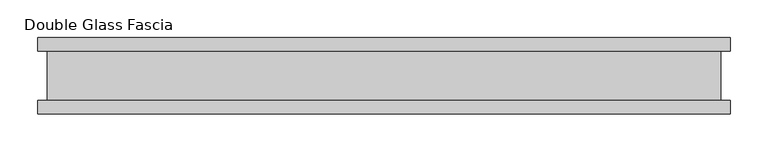
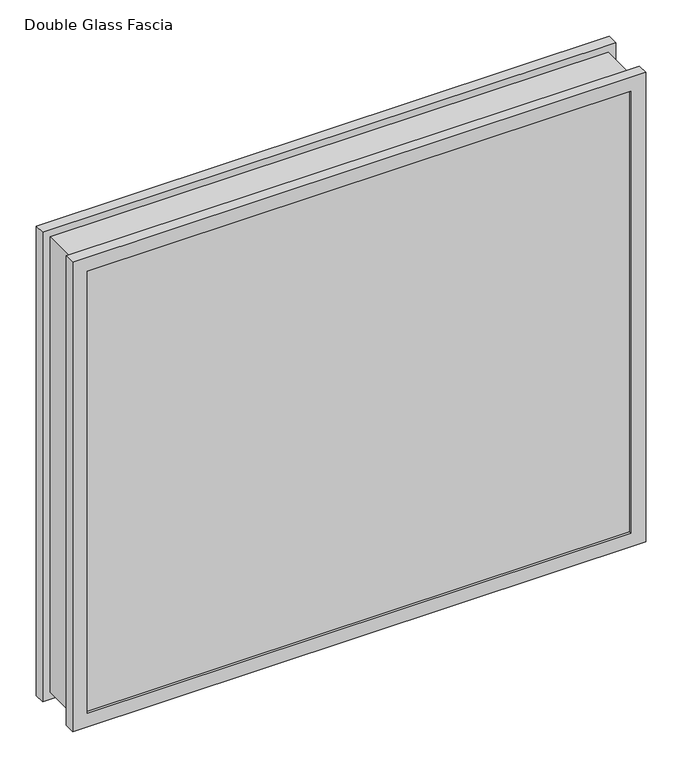
"""IFC4 building model written with IfcOpenShell, lengths in millimetres: proxy geometry, Double Glass Fascia."""

from ifc_helpers import new_model, si_unit, frame, origin, place, context, project, spatial, polyline, outline, extrude, faceted_brep, source, transform, mapped, element, save


def double_glass_fascia_65f91724(model_context):
    return source(origin(), model_context, "Body", "SolidModel", [
        faceted_brep([(443.4640848, 32.4352299, 780.4920849), (443.4640848, -32.4352299, 780.4920849), (443.4640848, -32.4352299, 15.0359151), (443.4640848, 32.4352299, 15.0359151), (-443.4640848, -32.4352299, 15.0359151), (-443.4640848, 32.4352299, 15.0359151), (-443.4640848, -32.4352299, 780.4920849), (-443.4640848, 32.4352299, 780.4920849), (432.2871999, -38.8962152, 769.3152), (432.2871999, 38.8962152, 769.3152), (432.2871999, 38.8962152, 26.2128), (432.2871999, -38.8962152, 26.2128), (449.0218392, -47.1322551, 786.0498392), (449.0218392, -38.8962152, 786.0498392), (449.0218392, -38.8962152, 9.4781608), (449.0218392, -47.1322551, 9.4781608), (432.1093999, -50.0558594, 769.1374), (432.1093999, -47.1322551, 769.1374), (432.1093999, -47.1322551, 26.3906), (432.1093999, -50.0558594, 26.3906), (455.3249999, -32.4352299, 792.353), (455.3249999, -50.0558594, 792.353), (455.3249999, -50.0558594, 3.175), (455.3249999, -32.4352299, 3.175), (-432.2871999, 38.8962152, 26.2128), (-432.2871999, -38.8962152, 26.2128), (-449.0218392, -38.8962152, 9.4781608), (-449.0218392, -47.1322551, 9.4781608), (-432.1093999, -47.1322551, 26.3906), (-432.1093999, -50.0558594, 26.3906), (-455.3249999, -50.0558594, 3.175), (-455.3249999, -32.4352299, 3.175), (-432.2871999, 38.8962152, 769.3152), (-432.2871999, -38.8962152, 769.3152), (-449.0218392, -38.8962152, 786.0498392), (-449.0218392, -47.1322551, 786.0498392), (-432.1093999, -47.1322551, 769.1374), (-432.1093999, -50.0558594, 769.1374), (-455.3249999, -50.0558594, 792.353), (-455.3249999, -32.4352299, 792.353), (455.3249999, 50.0558594, 792.353), (455.3249999, 32.4352299, 792.353), (455.3249999, 32.4352299, 3.175), (455.3249999, 50.0558594, 3.175), (432.2871999, 47.1322551, 769.3152), (432.2871999, 50.0558594, 769.3152), (432.2871999, 50.0558594, 26.2128), (432.2871999, 47.1322551, 26.2128), (449.0218392, 38.8962152, 786.0498392), (449.0218392, 47.1322551, 786.0498392), (449.0218392, 47.1322551, 9.4781608), (449.0218392, 38.8962152, 9.4781608), (-455.3249999, 32.4352299, 3.175), (-455.3249999, 50.0558594, 3.175), (-432.2871999, 50.0558594, 26.2128), (-432.2871999, 47.1322551, 26.2128), (-449.0218392, 47.1322551, 9.4781608), (-449.0218392, 38.8962152, 9.4781608), (-455.3249999, 32.4352299, 792.353), (-455.3249999, 50.0558594, 792.353), (-432.2871999, 50.0558594, 769.3152), (-432.2871999, 47.1322551, 769.3152), (-449.0218392, 47.1322551, 786.0498392), (-449.0218392, 38.8962152, 786.0498392)], [[[0, 1, 2, 3]], [[3, 2, 4, 5]], [[5, 4, 6, 7]], [[7, 6, 1, 0]], [[8, 9, 10, 11]], [[12, 13, 14, 15]], [[16, 17, 18, 19]], [[20, 21, 22, 23]], [[11, 10, 24, 25]], [[15, 14, 26, 27]], [[19, 18, 28, 29]], [[23, 22, 30, 31]], [[25, 24, 32, 33]], [[27, 26, 34, 35]], [[29, 28, 36, 37]], [[31, 30, 38, 39]], [[33, 32, 9, 8]], [[13, 34, 26, 14], [11, 25, 33, 8]], [[35, 34, 13, 12]], [[15, 27, 35, 12], [17, 36, 28, 18]], [[37, 36, 17, 16]], [[21, 38, 30, 22], [19, 29, 37, 16]], [[39, 38, 21, 20]], [[23, 31, 39, 20], [1, 6, 4, 2]], [[40, 41, 42, 43]], [[44, 45, 46, 47]], [[48, 49, 50, 51]], [[43, 42, 52, 53]], [[47, 46, 54, 55]], [[51, 50, 56, 57]], [[53, 52, 58, 59]], [[55, 54, 60, 61]], [[57, 56, 62, 63]], [[41, 58, 52, 42], [3, 5, 7, 0]], [[59, 58, 41, 40]], [[43, 53, 59, 40], [45, 60, 54, 46]], [[61, 60, 45, 44]], [[49, 62, 56, 50], [47, 55, 61, 44]], [[63, 62, 49, 48]], [[51, 57, 63, 48], [9, 32, 24, 10]]]),
        extrude(outline(polyline([(444.5, -40.9277344), (444.5, -46.8808594), (-444.5, -46.8808594), (-444.5, -40.9277344), (444.5, -40.9277344)])), frame((0.0, 0.0, 5.3275263), z_axis=(0.0, 0.0, 1.0), x_axis=(1.0, 0.0, 0.0)), (0.0, 0.0, 1.0), 784.378928),
        extrude(outline(polyline([(444.5, 41.1791301), (-444.5, 41.1791301), (-444.5, 47.1322551), (444.5, 47.1322551), (444.5, 41.1791301)])), frame((0.0, 0.0, 5.3275263), z_axis=(0.0, 0.0, 1.0), x_axis=(1.0, 0.0, 0.0)), (0.0, 0.0, 1.0), 784.378928),
    ])


if __name__ == "__main__":
    model = new_model("IFC4")
    model_context = context("Model", 3, world=origin())
    ifc_project = project(units=[si_unit("LENGTHUNIT", "METRE", prefix="MILLI")], contexts=[model_context])
    site = spatial("IfcSite", under=ifc_project)
    building = spatial("IfcBuilding", under=site)
    placement = place(None, origin())
    double_glass_fascia_shape = double_glass_fascia_65f91724(model_context)
    element("IfcBuildingElementProxy", 1, Name="Double Glass Fascia", ObjectType="Double Glass Fascia", at=placement, inside=building, context=model_context, shape_type="MappedRepresentation", body=[
        mapped(double_glass_fascia_shape, transform((0.0, 0.0, 0.0), x_axis=(1.0, 0.0, 0.0), y_axis=(0.0, 1.0, 0.0), z_axis=(0.0, 0.0, 1.0))),
    ])
    save(model, "model.ifc")
